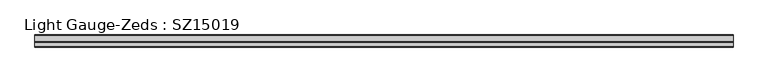
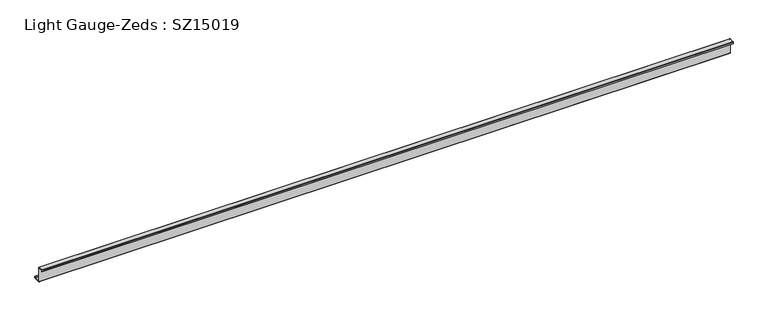
"""IFC4 building model written with IfcOpenShell, lengths in millimetres: beam geometry, Light Gauge-Zeds : SZ15019."""

from ifc_helpers import new_model, si_unit, point, frame, frame_2d, origin, place, context, project, spatial, polyline, circle_curve, trimmed, segment, composite_curve, outline, extrude, source, transform, mapped, element, save


def light_gauge_zeds_sz15019_3a08589b(model_context):
    return source(origin(), model_context, "Body", "SweptSolid", [
        extrude(outline(composite_curve([segment(polyline([(0.0, -72.1), (0.0, 72.1)]), True, "CONTINUOUS"), segment(trimmed(circle_curve(frame_2d((-2.0, 72.1)), 2.0), [point((0.0, 72.1))], [point((-2.0, 74.1))], True, "CARTESIAN"), True, "CONTINUOUS"), segment(polyline([(-2.0, 74.1), (-46.6, 74.1)]), True, "CONTINUOUS"), segment(trimmed(circle_curve(frame_2d((-46.6, 72.1)), 2.0), [point((-46.6, 74.1))], [point((-48.6, 72.1))], True, "CARTESIAN"), True, "CONTINUOUS"), segment(polyline([(-48.6, 72.1), (-48.6, 58.0), (-50.5, 58.0), (-50.5, 72.1)]), True, "CONTINUOUS"), segment(trimmed(circle_curve(frame_2d((-46.6, 72.1)), 3.9), [point((-50.5, 72.1))], [point((-46.6, 76.0))], False, "CARTESIAN"), True, "CONTINUOUS"), segment(polyline([(-46.6, 76.0), (-2.0, 76.0)]), True, "CONTINUOUS"), segment(trimmed(circle_curve(frame_2d((-2.0, 72.1)), 3.9), [point((-2.0, 76.0))], [point((1.9, 72.1))], False, "CARTESIAN"), True, "CONTINUOUS"), segment(polyline([(1.9, 72.1), (1.9, -72.1)]), True, "CONTINUOUS"), segment(trimmed(circle_curve(frame_2d((3.9, -72.1)), 2.0), [point((1.9, -72.1))], [point((3.9, -74.1))], True, "CARTESIAN"), True, "CONTINUOUS"), segment(polyline([(3.9, -74.1), (63.6, -74.1)]), True, "CONTINUOUS"), segment(trimmed(circle_curve(frame_2d((63.6, -72.1)), 2.0), [point((63.6, -74.1))], [point((65.6, -72.1))], True, "CARTESIAN"), True, "CONTINUOUS"), segment(polyline([(65.6, -72.1), (65.6, -57.0), (67.5, -57.0), (67.5, -72.1)]), True, "CONTINUOUS"), segment(trimmed(circle_curve(frame_2d((63.6, -72.1)), 3.9), [point((67.5, -72.1))], [point((63.6, -76.0))], False, "CARTESIAN"), True, "CONTINUOUS"), segment(polyline([(63.6, -76.0), (3.9, -76.0)]), True, "CONTINUOUS"), segment(trimmed(circle_curve(frame_2d((3.9, -72.1)), 3.9), [point((3.9, -76.0))], [point((0.0, -72.1))], False, "CARTESIAN"), True, "CONTINUOUS")], self_intersect=False)), frame((-3085.75, 0.0, 0.0), z_axis=(1.0, 0.0, 0.0), x_axis=(0.0, 1.0, 0.0)), (0.0, 0.0, 1.0), 6798.75),
    ])


if __name__ == "__main__":
    model = new_model("IFC4")
    model_context = context("Model", 3, world=origin())
    ifc_project = project(units=[si_unit("LENGTHUNIT", "METRE", prefix="MILLI")], contexts=[model_context])
    site = spatial("IfcSite", under=ifc_project)
    building = spatial("IfcBuilding", under=site)
    placement = place(None, origin())
    light_gauge_zeds_sz15019_shape = light_gauge_zeds_sz15019_3a08589b(model_context)
    element("IfcBeam", 1, ObjectType="Light Gauge-Zeds : SZ15019", at=placement, inside=building, context=model_context, shape_type="MappedRepresentation", body=[
        mapped(light_gauge_zeds_sz15019_shape, transform((0.0, 0.0, 0.0), x_axis=(1.0, 0.0, 0.0), y_axis=(0.0, 1.0, 0.0), z_axis=(0.0, 0.0, 1.0))),
    ])
    save(model, "model.ifc")
